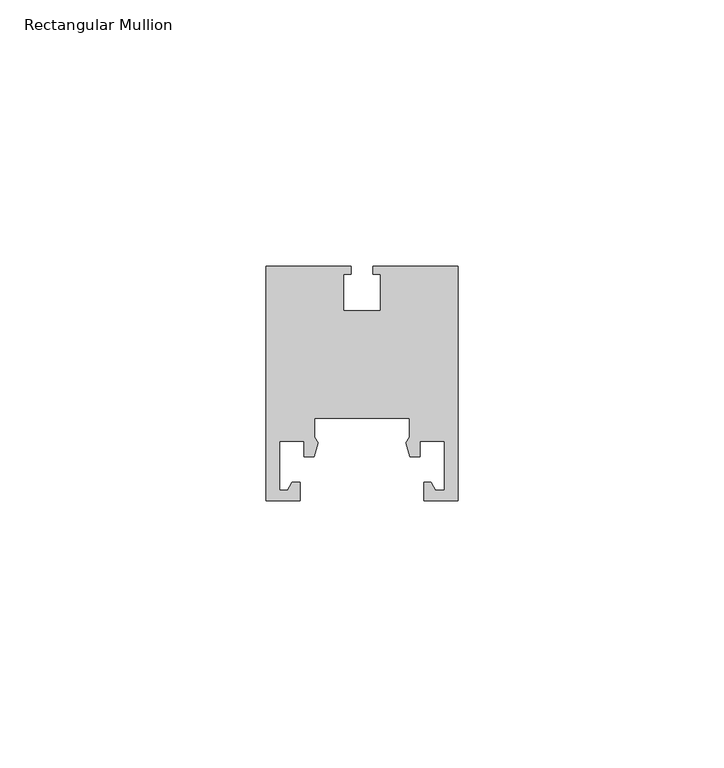
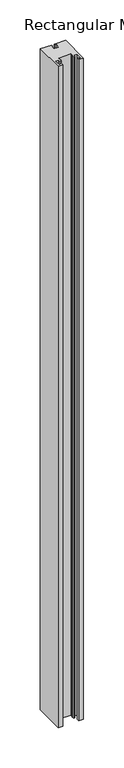
"""IFC4 building model written with IfcOpenShell, lengths in millimetres: member geometry, Rectangular Mullion."""

from ifc_helpers import new_model, si_unit, frame, origin, place, context, project, spatial, polyline, outline, extrude, source, transform, mapped, element, save


def rectangular_mullion_164e9722(model_context):
    return source(origin(), model_context, "Body", "SweptSolid", [
        extrude(outline(polyline([(-8.9, 11.8880702), (-8.3, 10.835577), (-9.0483348, 8.235577), (-10.9, 8.235577), (-10.9, 11.085577), (-15.5, 11.085577), (-15.5, 1.935577), (-14.0, 1.935577), (-13.1339746, 3.435577), (-11.6, 3.435577), (-11.6, -0.064423), (-18.0, -0.064423), (-18.0, 43.935577), (-2.05, 43.935577), (-2.05, 42.435577), (-3.5, 42.435577), (-3.5, 35.635577), (3.5, 35.635577), (3.5, 42.435577), (2.05, 42.435577), (2.05, 43.935577), (18.0, 43.935577), (18.0, -0.064423), (11.6, -0.064423), (11.6, 3.435577), (12.970782, 3.435577), (13.8368074, 1.935577), (15.5, 1.935577), (15.5, 11.085577), (10.9, 11.085577), (10.9, 8.235577), (9.0483348, 8.235577), (8.3, 10.835577), (8.9, 11.8880702), (8.9, 15.435577), (-8.9, 15.435577), (-8.9, 11.8880702)])), frame((0.0, 0.0, -1000.0), z_axis=(0.0, 0.0, 1.0), x_axis=(1.0, 0.0, 0.0)), (0.0, 0.0, 1.0), 1000.0),
    ])


if __name__ == "__main__":
    model = new_model("IFC4")
    model_context = context("Model", 3, world=origin())
    ifc_project = project(units=[si_unit("LENGTHUNIT", "METRE", prefix="MILLI")], contexts=[model_context])
    site = spatial("IfcSite", under=ifc_project)
    building = spatial("IfcBuilding", under=site)
    placement = place(None, origin())
    rectangular_mullion_shape = rectangular_mullion_164e9722(model_context)
    element("IfcMember", 1, ObjectType="Rectangular Mullion", at=placement, inside=building, context=model_context, shape_type="MappedRepresentation", body=[
        mapped(rectangular_mullion_shape, transform((0.0, 0.0, 0.0), x_axis=(1.0, 0.0, 0.0), y_axis=(0.0, 1.0, 0.0), z_axis=(0.0, 0.0, 1.0))),
    ])
    save(model, "model.ifc")
